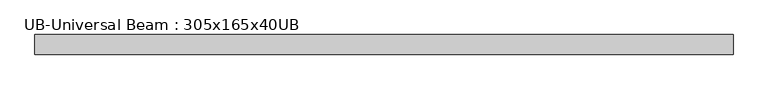
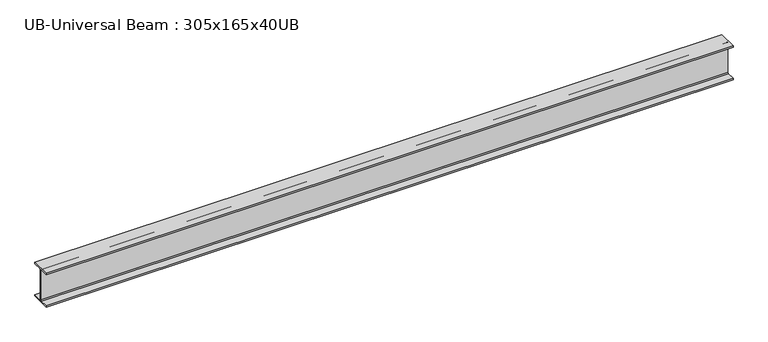
"""IFC4 building model written with IfcOpenShell, lengths in millimetres: beam geometry, UB-Universal Beam : 305x165x40UB."""

from ifc_helpers import new_model, si_unit, point, frame, frame_2d, origin, place, context, project, spatial, polyline, circle_curve, trimmed, segment, composite_curve, outline, extrude, source, transform, mapped, element, save


def ub_universal_beam_305x165x40ub_19d2a55f(model_context):
    return source(origin(), model_context, "Body", "SweptSolid", [
        extrude(outline(composite_curve([segment(polyline([(82.5, -141.5), (82.5, -151.7), (-82.5, -151.7), (-82.5, -141.5), (-11.9, -141.5)]), True, "CONTINUOUS"), segment(trimmed(circle_curve(frame_2d((-11.9, -132.6)), 8.9), [point((-11.9, -141.5))], [point((-3.0, -132.6))], True, "CARTESIAN"), True, "CONTINUOUS"), segment(polyline([(-3.0, -132.6), (-3.0, 132.6)]), True, "CONTINUOUS"), segment(trimmed(circle_curve(frame_2d((-11.9, 132.6)), 8.9), [point((-3.0, 132.6))], [point((-11.9, 141.5))], True, "CARTESIAN"), True, "CONTINUOUS"), segment(polyline([(-11.9, 141.5), (-82.5, 141.5), (-82.5, 151.7), (82.5, 151.7), (82.5, 141.5), (11.9, 141.5)]), True, "CONTINUOUS"), segment(trimmed(circle_curve(frame_2d((11.9, 132.6)), 8.9), [point((11.9, 141.5))], [point((3.0, 132.6))], True, "CARTESIAN"), True, "CONTINUOUS"), segment(polyline([(3.0, 132.6), (3.0, -132.6)]), True, "CONTINUOUS"), segment(trimmed(circle_curve(frame_2d((11.9, -132.6)), 8.9), [point((3.0, -132.6))], [point((11.9, -141.5))], True, "CARTESIAN"), True, "CONTINUOUS"), segment(polyline([(11.9, -141.5), (82.5, -141.5)]), True, "CONTINUOUS")], self_intersect=False)), frame((-2938.1333333, 0.0, 0.0), z_axis=(1.0, 0.0, 0.0), x_axis=(0.0, 1.0, 0.0)), (0.0, 0.0, 1.0), 5876.2666667),
    ])


if __name__ == "__main__":
    model = new_model("IFC4")
    model_context = context("Model", 3, world=origin())
    ifc_project = project(units=[si_unit("LENGTHUNIT", "METRE", prefix="MILLI")], contexts=[model_context])
    site = spatial("IfcSite", under=ifc_project)
    building = spatial("IfcBuilding", under=site)
    placement = place(None, origin())
    ub_universal_beam_305x165x40ub_shape = ub_universal_beam_305x165x40ub_19d2a55f(model_context)
    element("IfcBeam", 1, ObjectType="UB-Universal Beam : 305x165x40UB", at=placement, inside=building, context=model_context, shape_type="MappedRepresentation", body=[
        mapped(ub_universal_beam_305x165x40ub_shape, transform((0.0, 0.0, 0.0), x_axis=(1.0, 0.0, 0.0), y_axis=(0.0, 1.0, 0.0), z_axis=(0.0, 0.0, 1.0))),
    ])
    save(model, "model.ifc")
